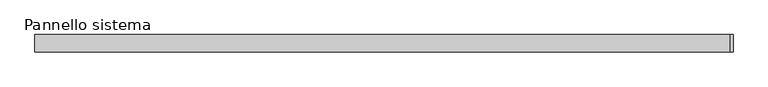
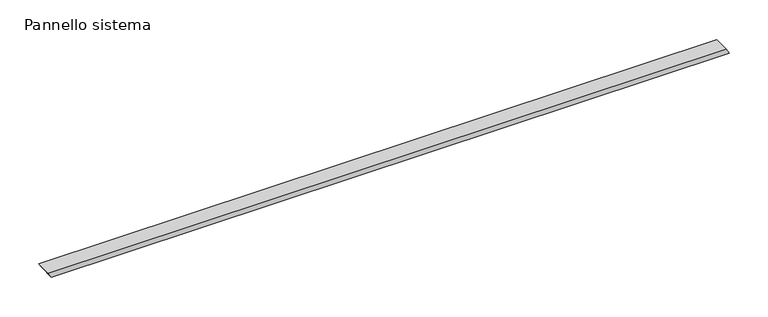
"""IFC4 building model written with IfcOpenShell, lengths in millimetres: plate geometry, Pannello sistema."""

from ifc_helpers import new_model, si_unit, frame, origin, place, context, project, spatial, polyline, outline, extrude, source, transform, mapped, element, save


def pannello_sistema_26c189cb(model_context):
    return source(origin(), model_context, "Body", "SweptSolid", [
        extrude(outline(polyline([(0.0, -503.485074), (0.0, 507.8842267), (7.4682793, 503.485074), (7.4682793, -507.8842267), (0.0, -503.485074)])), frame((0.0, -12.5, 0.0), z_axis=(0.0, 1.0, 0.0), x_axis=(0.0, 0.0, 1.0)), (0.0, 0.0, 1.0), 25.0),
    ])


if __name__ == "__main__":
    model = new_model("IFC4")
    model_context = context("Model", 3, world=origin())
    ifc_project = project(units=[si_unit("LENGTHUNIT", "METRE", prefix="MILLI")], contexts=[model_context])
    site = spatial("IfcSite", under=ifc_project)
    building = spatial("IfcBuilding", under=site)
    placement = place(None, origin())
    pannello_sistema_shape = pannello_sistema_26c189cb(model_context)
    element("IfcPlate", 1, ObjectType="Pannello sistema", at=placement, inside=building, context=model_context, shape_type="MappedRepresentation", body=[
        mapped(pannello_sistema_shape, transform((0.0, 0.0, 0.0), x_axis=(1.0, 0.0, 0.0), y_axis=(0.0, 1.0, 0.0), z_axis=(0.0, 0.0, 1.0))),
    ])
    save(model, "model.ifc")
